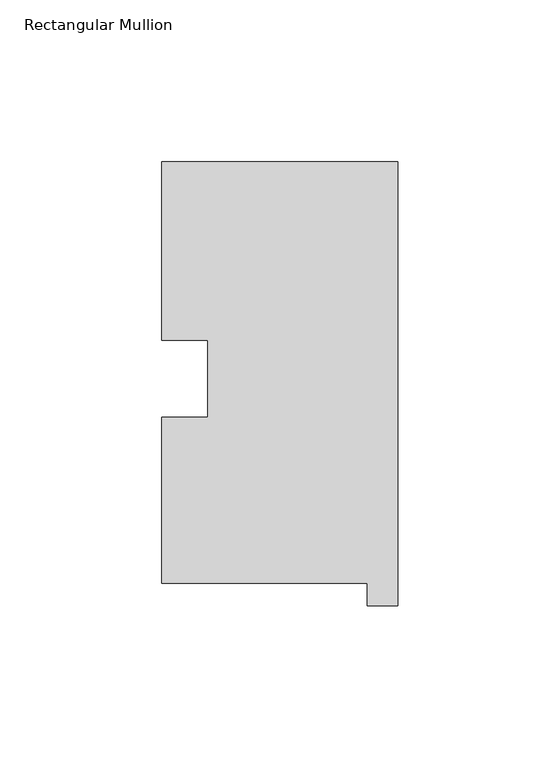
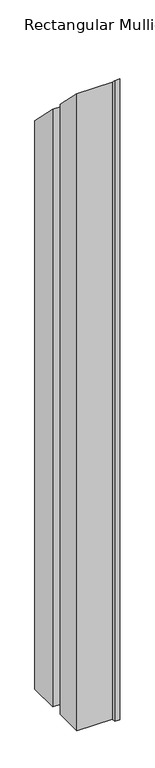
"""IFC4 building model written with IfcOpenShell, lengths in millimetres: member geometry, Rectangular Mullion."""

from ifc_helpers import new_model, si_unit, origin, place, context, project, spatial, faceted_brep, source, transform, mapped, element, save


def rectangular_mullion_f35d30e0(model_context):
    return source(origin(), model_context, "Body", "Brep", [
        faceted_brep([(-73.025, 130.56235, -1206.50635), (0.0, 130.56235, -1206.50635), (0.0, -6.64845, -1206.50635), (-9.525, -6.64845, -1206.50635), (-9.525, 0.26035, -1206.50635), (-73.025, 0.26035, -1206.50635), (-73.025, 51.60645, -1206.50635), (-58.785125, 51.60645, -1206.50635), (-58.785125, 75.40625, -1206.50635), (-73.025, 75.40625, -1206.50635), (-73.025, 75.40625, -75.40625), (-73.025, 130.56235, -130.56235), (-58.785125, 75.40625, -75.40625), (-58.785125, 51.60645, -51.60645), (-73.025, 51.60645, -51.60645), (-73.025, 0.26035, -0.26035), (-9.525, 0.26035, -0.26035), (-9.525, -6.64845, 6.64845), (0.0, -6.64845, 6.64845), (0.0, 130.56235, -130.56235)], [[[0, 1, 2, 3, 4, 5, 6, 7, 8, 9]], [[10, 11, 0, 9]], [[12, 10, 9, 8]], [[13, 12, 8, 7]], [[14, 13, 7, 6]], [[15, 14, 6, 5]], [[16, 15, 5, 4]], [[17, 16, 4, 3]], [[18, 17, 3, 2]], [[19, 18, 2, 1]], [[11, 19, 1, 0]], [[11, 10, 12, 13, 14, 15, 16, 17, 18, 19]]]),
    ])


if __name__ == "__main__":
    model = new_model("IFC4")
    model_context = context("Model", 3, world=origin())
    ifc_project = project(units=[si_unit("LENGTHUNIT", "METRE", prefix="MILLI")], contexts=[model_context])
    site = spatial("IfcSite", under=ifc_project)
    building = spatial("IfcBuilding", under=site)
    placement = place(None, origin())
    rectangular_mullion_shape = rectangular_mullion_f35d30e0(model_context)
    element("IfcMember", 1, ObjectType="Rectangular Mullion", at=placement, inside=building, context=model_context, shape_type="MappedRepresentation", body=[
        mapped(rectangular_mullion_shape, transform((0.0, 0.0, 0.0), x_axis=(1.0, 0.0, 0.0), y_axis=(0.0, 1.0, 0.0), z_axis=(0.0, 0.0, 1.0))),
    ])
    save(model, "model.ifc")
